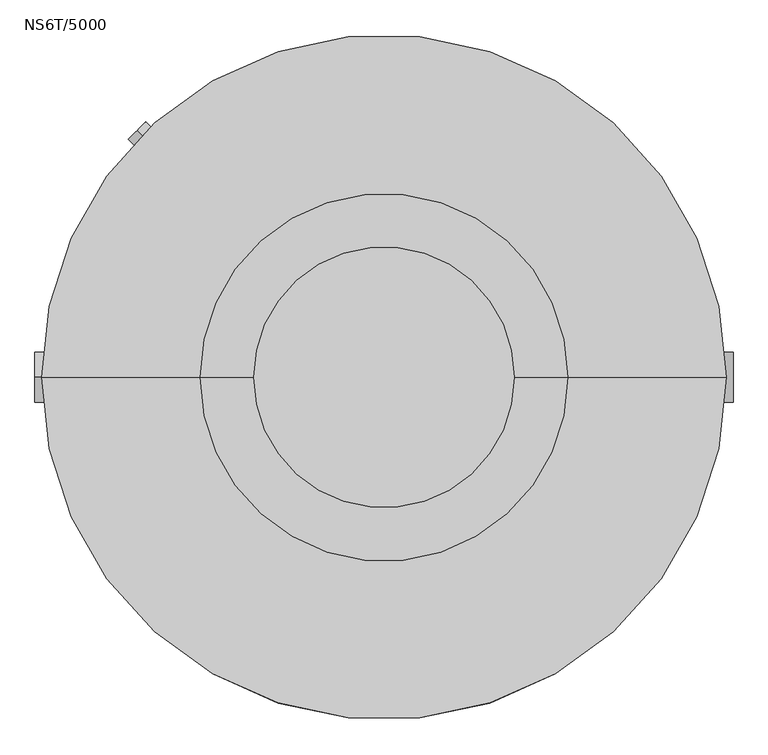
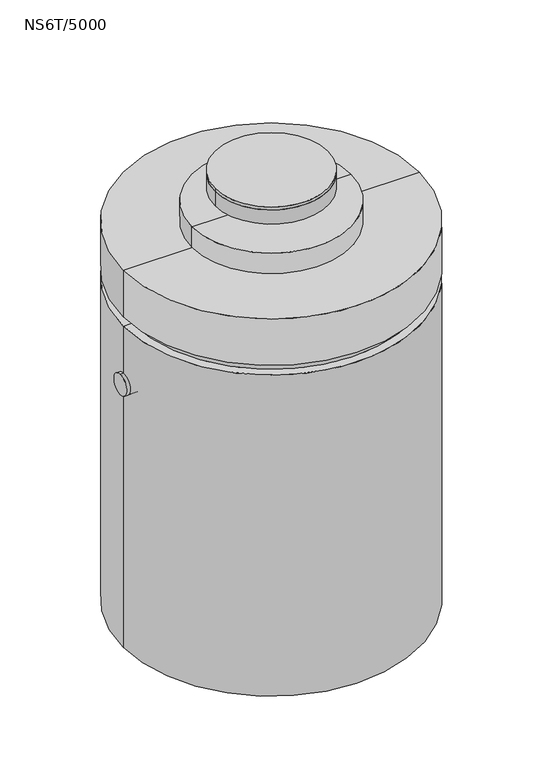
"""IFC4 building model written with IfcOpenShell, lengths in millimetres: proxy geometry, NS6T/5000."""

from ifc_helpers import new_model, si_unit, point, frame, frame_2d, origin, origin_2d, place, context, project, spatial, polyline, circle_curve, ellipse_curve, trimmed, segment, composite_curve, outline, extrude, source, transform, mapped, element, save
from ifc_brep_helpers import plane_surface, cylinder_surface, revolved_surface, advanced_brep


def ns6t_5000_64bb6e96(model_context):
    return source(origin(), model_context, "Body", "SolidModel", [
        extrude(outline(composite_curve([segment(trimmed(circle_curve(origin_2d(), 390.0), [point((-390.0, 0.0))], [point((390.0, 0.0))], False, "CARTESIAN"), True, "CONTINUOUS"), segment(trimmed(circle_curve(origin_2d(), 390.0), [point((390.0, 0.0))], [point((-390.0, 0.0))], False, "CARTESIAN"), True, "CONTINUOUS")], self_intersect=False)), frame((0.0, 0.0, -20.0), z_axis=(0.0, 0.0, 1.0), x_axis=(1.0, 0.0, 0.0)), (0.0, 0.0, 1.0), 20.0),
        extrude(outline(composite_curve([segment(trimmed(circle_curve(origin_2d(), 390.0), [point((-390.0, 0.0))], [point((390.0, 0.0))], False, "CARTESIAN"), True, "CONTINUOUS"), segment(trimmed(circle_curve(origin_2d(), 390.0), [point((390.0, 0.0))], [point((-390.0, 0.0))], False, "CARTESIAN"), True, "CONTINUOUS")], self_intersect=False)), frame((0.0, 0.0, -125.0), z_axis=(0.0, 0.0, 1.0), x_axis=(1.0, 0.0, 0.0)), (0.0, 0.0, 1.0), 105.0),
        advanced_brep(
        [(550.0, 0.0, -375.0), (-550.0, 0.0, -375.0), (-550.0, 0.0, -225.0869772), (550.0, 0.0, -225.0869772), (0.0, 0.0, -375.0), (0.0, 0.0, -225.0869772)],
        [
            (0, 1, circle_curve(frame((0.0, 0.0, -375.0), z_axis=(0.0, 0.0, 1.0), x_axis=(-1.0, 0.0, 0.0)), 550.0)),
            (1, 2),
            (2, 3, circle_curve(frame((0.0, 0.0, -225.0869772), z_axis=(0.0, 0.0, -1.0), x_axis=(-1.0, 0.0, 0.0)), 550.0)),
            (3, 0),
            (1, 0, circle_curve(frame((0.0, 0.0, -375.0), z_axis=(0.0, 0.0, 1.0), x_axis=(-1.0, 0.0, 0.0)), 550.0)),
            (3, 2, circle_curve(frame((0.0, 0.0, -225.0869772), z_axis=(0.0, 0.0, -1.0), x_axis=(-1.0, 0.0, 0.0)), 550.0)),
            (4, 1),
            (0, 4),
            (2, 5),
            (5, 3),
        ],
        [
            cylinder_surface(frame((0.0, 0.0, -235.0), z_axis=(0.0, 0.0, -1.0), x_axis=(-1.0, 0.0, 0.0)), 550.0),
            plane_surface(frame((0.0, 0.0, -375.0), z_axis=(0.0, 0.0, -1.0), x_axis=(-1.0, 0.0, 0.0))),
            plane_surface(frame((0.0, 0.0, -225.0869772), z_axis=(0.0, 0.0, 1.0), x_axis=(-1.0, 0.0, 0.0))),
        ],
        [
            (0, [[1, 2, 3, 4]]),
            (0, [[5, -4, 6, -2]]),
            (1, [[7, -1, 8]]),
            (1, [[-8, -5, -7]]),
            (2, [[-3, 9, 10]]),
            (2, [[-6, -10, -9]]),
        ],
    ),
        advanced_brep(
        [(1025.0, 0.0, -375.0), (-1025.0, 0.0, -375.0), (0.0, 0.0, -375.0), (1025.0, 0.0, -715.0), (-1025.0, 0.0, -715.0), (965.0, 0.0, -715.0), (-965.0, 0.0, -715.0), (965.0, 0.0, -635.0), (-965.0, 0.0, -635.0), (0.0, 0.0, -635.0)],
        [
            (0, 1, circle_curve(frame((0.0, 0.0, -375.0), z_axis=(0.0, 0.0, 1.0), x_axis=(-1.0, 0.0, 0.0)), 1025.0)),
            (1, 2),
            (2, 0),
            (1, 0, circle_curve(frame((0.0, 0.0, -375.0), z_axis=(0.0, 0.0, 1.0), x_axis=(-1.0, 0.0, 0.0)), 1025.0)),
            (3, 4, circle_curve(frame((0.0, 0.0, -715.0), z_axis=(0.0, 0.0, 1.0), x_axis=(-1.0, 0.0, 0.0)), 1025.0)),
            (4, 1),
            (0, 3),
            (4, 3, circle_curve(frame((0.0, 0.0, -715.0), z_axis=(0.0, 0.0, 1.0), x_axis=(-1.0, 0.0, 0.0)), 1025.0)),
            (5, 6, circle_curve(frame((0.0, 0.0, -715.0), z_axis=(0.0, 0.0, 1.0), x_axis=(-1.0, 0.0, 0.0)), 965.0)),
            (6, 4),
            (3, 5),
            (6, 5, circle_curve(frame((0.0, 0.0, -715.0), z_axis=(0.0, 0.0, 1.0), x_axis=(-1.0, 0.0, 0.0)), 965.0)),
            (7, 8, circle_curve(frame((0.0, 0.0, -635.0), z_axis=(0.0, 0.0, 1.0), x_axis=(-1.0, 0.0, 0.0)), 965.0)),
            (8, 6),
            (5, 7),
            (8, 7, circle_curve(frame((0.0, 0.0, -635.0), z_axis=(0.0, 0.0, 1.0), x_axis=(-1.0, 0.0, 0.0)), 965.0)),
            (9, 8),
            (7, 9),
        ],
        [
            plane_surface(frame((0.0, 0.0, -375.0), z_axis=(0.0, 0.0, 1.0), x_axis=(-1.0, 0.0, 0.0))),
            cylinder_surface(frame((0.0, 0.0, -360.0), z_axis=(0.0, 0.0, -1.0), x_axis=(-1.0, 0.0, 0.0)), 1025.0),
            plane_surface(frame((0.0, 0.0, -715.0), z_axis=(0.0, 0.0, -1.0), x_axis=(-1.0, 0.0, 0.0))),
            revolved_surface(polyline([(-965.0, 0.0, -715.0), (-965.0, 0.0, -635.0)]), (0.0, 0.0, -360.0), (0.0, 0.0, -1.0)),
            plane_surface(frame((0.0, 0.0, -635.0), z_axis=(0.0, 0.0, -1.0), x_axis=(-1.0, 0.0, 0.0))),
        ],
        [
            (0, [[1, 2, 3]]),
            (0, [[4, -3, -2]]),
            (1, [[5, 6, -1, 7]]),
            (1, [[8, -7, -4, -6]]),
            (2, [[9, 10, -5, 11]]),
            (2, [[12, -11, -8, -10]]),
            (3, [[13, 14, -9, 15]]),
            (3, [[16, -15, -12, -14]]),
            (4, [[17, -13, 18]]),
            (4, [[-18, -16, -17]]),
        ],
    ),
        extrude(outline(composite_curve([segment(trimmed(circle_curve(origin_2d(), 875.0), [point((-875.0, 0.0))], [point((330.9917809, 809.9811362))], False, "CARTESIAN"), True, "CONTINUOUS"), segment(polyline([(330.9917809, 809.9811362), (330.9917809, -97.3110528), (330.9917809, -809.9811362)]), True, "CONTINUOUS"), segment(trimmed(circle_curve(origin_2d(), 875.0), [point((330.9917809, -809.9811362))], [point((-875.0, 0.0))], False, "CARTESIAN"), True, "CONTINUOUS")], self_intersect=False), holes=[composite_curve([segment(trimmed(circle_curve(origin_2d(), 325.0), [point((306.8434606, 107.107846))], [point((-325.0, 0.0))], True, "CARTESIAN"), True, "CONTINUOUS"), segment(trimmed(circle_curve(origin_2d(), 325.0), [point((-325.0, 0.0))], [point((306.8434606, 107.107846))], True, "CARTESIAN"), True, "CONTINUOUS")], self_intersect=False)]), frame((0.0, 0.0, -1655.0), z_axis=(0.0, 0.0, 1.0), x_axis=(1.0, 0.0, 0.0)), (0.0, 0.0, 1.0), 530.0),
        extrude(outline(composite_curve([segment(trimmed(circle_curve(frame_2d((0.0, -37.5)), 37.5), [point((0.0, -75.0))], [point((0.0, 0.0))], False, "CARTESIAN"), True, "CONTINUOUS"), segment(trimmed(circle_curve(frame_2d((0.0, -37.5)), 37.5), [point((0.0, 0.0))], [point((0.0, -75.0))], False, "CARTESIAN"), True, "CONTINUOUS")], self_intersect=False)), frame((-583.3630945, 583.3630945, -890.4626011), z_axis=(-0.7071067811865481, 0.707106781186547, 0.0), x_axis=(-0.707106781186547, -0.7071067811865481, 0.0)), (0.0, 0.0, 1.0), 220.0),
        advanced_brep(
        [(0.0, 75.0, -1655.0), (0.0, -75.0, -1655.0), (0.0, 75.0, -1775.0), (0.0, -75.0, -1775.0), (755.0, 75.0, -1775.0), (755.0, -75.0, -1775.0), (755.0, 75.0, -1225.0), (755.0, -75.0, -1225.0), (1045.0, 75.0, -1225.0), (1045.0, -75.0, -1225.0)],
        [
            (0, 1, circle_curve(frame((0.0, 0.0, -1655.0), z_axis=(0.0, 0.0, 1.0), x_axis=(0.0, -1.0, 0.0)), 75.0)),
            (1, 0, circle_curve(frame((0.0, 0.0, -1655.0), z_axis=(0.0, 0.0, 1.0), x_axis=(0.0, -1.0, 0.0)), 75.0)),
            (0, 2),
            (2, 3, ellipse_curve(frame((0.0, 0.0, -1775.0), z_axis=(-0.7071067811865475, 0.0, 0.7071067811865475), x_axis=(0.7071067811865474, 0.0, 0.7071067811865476)), 106.0660172, 75.0)),
            (3, 1),
            (3, 2, ellipse_curve(frame((0.0, 0.0, -1775.0), z_axis=(-0.7071067811865475, 0.0, 0.7071067811865475), x_axis=(0.7071067811865474, 0.0, 0.7071067811865476)), 106.0660172, 75.0)),
            (2, 4),
            (4, 5, ellipse_curve(frame((755.0, 0.0, -1775.0), z_axis=(-0.7071067811865475, 0.0, -0.7071067811865475), x_axis=(-0.7071067811865476, 0.0, 0.7071067811865474)), 106.0660172, 75.0)),
            (5, 3),
            (5, 4, ellipse_curve(frame((755.0, 0.0, -1775.0), z_axis=(-0.7071067811865475, 0.0, -0.7071067811865475), x_axis=(-0.7071067811865476, 0.0, 0.7071067811865474)), 106.0660172, 75.0)),
            (4, 6),
            (6, 7, ellipse_curve(frame((755.0, 0.0, -1225.0), z_axis=(-0.7071067811865475, 0.0, -0.7071067811865475), x_axis=(0.7071067811865474, 0.0, -0.7071067811865476)), 106.0660172, 75.0)),
            (7, 5),
            (7, 6, ellipse_curve(frame((755.0, 0.0, -1225.0), z_axis=(-0.7071067811865475, 0.0, -0.7071067811865475), x_axis=(0.7071067811865474, 0.0, -0.7071067811865476)), 106.0660172, 75.0)),
            (8, 9, circle_curve(frame((1045.0, 0.0, -1225.0), z_axis=(1.0, 0.0, 0.0), x_axis=(0.0, -1.0, 0.0)), 75.0)),
            (9, 8, circle_curve(frame((1045.0, 0.0, -1225.0), z_axis=(1.0, 0.0, 0.0), x_axis=(0.0, -1.0, 0.0)), 75.0)),
            (6, 8),
            (9, 7),
        ],
        [
            plane_surface(frame((0.0, 0.0, -1655.0), z_axis=(0.0, 0.0, 1.0), x_axis=(0.0, -1.0, 0.0))),
            cylinder_surface(frame((0.0, 0.0, -1655.0), z_axis=(0.0, 0.0, 1.0), x_axis=(0.0, -1.0, 0.0)), 75.0),
            cylinder_surface(frame((0.0, 0.0, -1775.0), z_axis=(-1.0, 0.0, 0.0), x_axis=(0.0, -1.0, 0.0)), 75.0),
            cylinder_surface(frame((755.0, 0.0, -1775.0), z_axis=(0.0, 0.0, -1.0), x_axis=(0.0, -1.0, 0.0)), 75.0),
            plane_surface(frame((1045.0, 0.0, -1225.0), z_axis=(1.0, 0.0, 0.0), x_axis=(0.0, -1.0, 0.0))),
            cylinder_surface(frame((755.0, 0.0, -1225.0), z_axis=(-1.0, 0.0, 0.0), x_axis=(0.0, -1.0, 0.0)), 75.0),
        ],
        [
            (0, [[1, 2]]),
            (1, [[-1, 3, 4, 5]]),
            (1, [[-2, -5, 6, -3]]),
            (2, [[-4, 7, 8, 9]]),
            (2, [[-6, -9, 10, -7]]),
            (3, [[-8, 11, 12, 13]]),
            (3, [[-10, -13, 14, -11]]),
            (4, [[15, 16]]),
            (5, [[-12, 17, -16, 18]]),
            (5, [[-14, -18, -15, -17]]),
        ],
    ),
        extrude(outline(composite_curve([segment(trimmed(circle_curve(frame_2d((0.0, -1205.0)), 75.0), [point((0.0, -1280.0))], [point((0.0, -1130.0))], False, "CARTESIAN"), True, "CONTINUOUS"), segment(trimmed(circle_curve(frame_2d((0.0, -1205.0)), 75.0), [point((0.0, -1130.0))], [point((0.0, -1280.0))], False, "CARTESIAN"), True, "CONTINUOUS")], self_intersect=False)), frame((-1045.0, 0.0, 0.0), z_axis=(1.0, 0.0, 0.0), x_axis=(0.0, 1.0, 0.0)), (0.0, 0.0, 1.0), 200.0),
        advanced_brep(
        [(0.0, 0.0, -925.6945759), (185.0, 0.0, -925.6945759), (-185.0, 0.0, -925.6945759), (-185.0, 0.0, -1655.0), (185.0, 0.0, -1655.0), (0.0, 0.0, -1655.0)],
        [
            (0, 1),
            (1, 2, circle_curve(frame((0.0, 0.0, -925.6945759), z_axis=(0.0, 0.0, 1.0), x_axis=(1.0, 0.0, 0.0)), 185.0)),
            (2, 0),
            (2, 1, circle_curve(frame((0.0, 0.0, -925.6945759), z_axis=(0.0, 0.0, 1.0), x_axis=(1.0, 0.0, 0.0)), 185.0)),
            (3, 4, circle_curve(frame((0.0, 0.0, -1655.0), z_axis=(0.0, 0.0, -1.0), x_axis=(1.0, 0.0, 0.0)), 185.0)),
            (4, 5),
            (5, 3),
            (4, 3, circle_curve(frame((0.0, 0.0, -1655.0), z_axis=(0.0, 0.0, -1.0), x_axis=(1.0, 0.0, 0.0)), 185.0)),
            (1, 4),
            (3, 2),
        ],
        [
            plane_surface(frame((0.0, 0.0, -925.6945759), z_axis=(0.0, 0.0, 1.0), x_axis=(1.0, 0.0, 0.0))),
            plane_surface(frame((0.0, 0.0, -1655.0), z_axis=(0.0, 0.0, -1.0), x_axis=(1.0, 0.0, 0.0))),
            cylinder_surface(frame((0.0, 0.0, -945.0), z_axis=(0.0, 0.0, 1.0), x_axis=(1.0, 0.0, 0.0)), 185.0),
        ],
        [
            (0, [[1, 2, 3]]),
            (0, [[-3, 4, -1]]),
            (1, [[5, 6, 7]]),
            (1, [[8, -7, -6]]),
            (2, [[-2, 9, -5, 10]]),
            (2, [[-4, -10, -8, -9]]),
        ],
    ),
        advanced_brep(
        [(0.0, 0.0, -2935.0), (875.0, 0.0, -2935.0), (-875.0, 0.0, -2935.0), (-1025.0, 0.0, -3135.0), (1025.0, 0.0, -3135.0), (0.0, 0.0, -3135.0), (-1025.0, 0.0, -785.0), (1025.0, 0.0, -785.0), (875.0, 0.0, -705.0), (-875.0, 0.0, -705.0), (-965.0, 0.0, -785.0), (965.0, 0.0, -785.0), (-965.0, 0.0, -705.0), (965.0, 0.0, -705.0)],
        [
            (0, 1),
            (1, 2, circle_curve(frame((0.0, 0.0, -2935.0), z_axis=(0.0, 0.0, 1.0), x_axis=(1.0, 0.0, 0.0)), 875.0)),
            (2, 0),
            (2, 1, circle_curve(frame((0.0, 0.0, -2935.0), z_axis=(0.0, 0.0, 1.0), x_axis=(1.0, 0.0, 0.0)), 875.0)),
            (3, 4, circle_curve(frame((0.0, 0.0, -3135.0), z_axis=(0.0, 0.0, -1.0), x_axis=(1.0, 0.0, 0.0)), 1025.0)),
            (4, 5),
            (5, 3),
            (4, 3, circle_curve(frame((0.0, 0.0, -3135.0), z_axis=(0.0, 0.0, -1.0), x_axis=(1.0, 0.0, 0.0)), 1025.0)),
            (6, 7, circle_curve(frame((0.0, 0.0, -785.0), z_axis=(0.0, 0.0, -1.0), x_axis=(1.0, 0.0, 0.0)), 1025.0)),
            (7, 4),
            (3, 6),
            (7, 6, circle_curve(frame((0.0, 0.0, -785.0), z_axis=(0.0, 0.0, -1.0), x_axis=(1.0, 0.0, 0.0)), 1025.0)),
            (1, 8),
            (8, 9, circle_curve(frame((0.0, 0.0, -705.0), z_axis=(0.0, 0.0, 1.0), x_axis=(1.0, 0.0, 0.0)), 875.0)),
            (9, 2),
            (9, 8, circle_curve(frame((0.0, 0.0, -705.0), z_axis=(0.0, 0.0, 1.0), x_axis=(1.0, 0.0, 0.0)), 875.0)),
            (10, 11, circle_curve(frame((0.0, 0.0, -785.0), z_axis=(0.0, 0.0, -1.0), x_axis=(1.0, 0.0, 0.0)), 965.0)),
            (11, 7),
            (6, 10),
            (11, 10, circle_curve(frame((0.0, 0.0, -785.0), z_axis=(0.0, 0.0, -1.0), x_axis=(1.0, 0.0, 0.0)), 965.0)),
            (12, 13, circle_curve(frame((0.0, 0.0, -705.0), z_axis=(0.0, 0.0, -1.0), x_axis=(1.0, 0.0, 0.0)), 965.0)),
            (13, 11),
            (10, 12),
            (13, 12, circle_curve(frame((0.0, 0.0, -705.0), z_axis=(0.0, 0.0, -1.0), x_axis=(1.0, 0.0, 0.0)), 965.0)),
            (8, 13),
            (12, 9),
        ],
        [
            plane_surface(frame((0.0, 0.0, -2935.0), z_axis=(0.0, 0.0, 1.0), x_axis=(1.0, 0.0, 0.0))),
            plane_surface(frame((0.0, 0.0, -3135.0), z_axis=(0.0, 0.0, -1.0), x_axis=(1.0, 0.0, 0.0))),
            cylinder_surface(frame((0.0, 0.0, -705.0), z_axis=(0.0, 0.0, 1.0), x_axis=(1.0, 0.0, 0.0)), 1025.0),
            revolved_surface(polyline([(875.0, 0.0, -705.0), (875.0, 0.0, -2935.0)]), (0.0, 0.0, -705.0), (0.0, 0.0, 1.0)),
            plane_surface(frame((0.0, 0.0, -785.0), z_axis=(0.0, 0.0, 1.0), x_axis=(1.0, 0.0, 0.0))),
            cylinder_surface(frame((0.0, 0.0, -705.0), z_axis=(0.0, 0.0, 1.0), x_axis=(1.0, 0.0, 0.0)), 965.0),
            plane_surface(frame((0.0, 0.0, -705.0), z_axis=(0.0, 0.0, 1.0), x_axis=(1.0, 0.0, 0.0))),
        ],
        [
            (0, [[1, 2, 3]]),
            (0, [[-3, 4, -1]]),
            (1, [[5, 6, 7]]),
            (1, [[8, -7, -6]]),
            (2, [[9, 10, -5, 11]]),
            (2, [[12, -11, -8, -10]]),
            (3, [[-2, 13, 14, 15]]),
            (3, [[-4, -15, 16, -13]]),
            (4, [[17, 18, -9, 19]]),
            (4, [[20, -19, -12, -18]]),
            (5, [[21, 22, -17, 23]]),
            (5, [[24, -23, -20, -22]]),
            (6, [[-14, 25, -21, 26]]),
            (6, [[-16, -26, -24, -25]]),
        ],
    ),
    ])


if __name__ == "__main__":
    model = new_model("IFC4")
    model_context = context("Model", 3, world=origin())
    ifc_project = project(units=[si_unit("LENGTHUNIT", "METRE", prefix="MILLI")], contexts=[model_context])
    site = spatial("IfcSite", under=ifc_project)
    building = spatial("IfcBuilding", under=site)
    placement = place(None, origin())
    ns6t_5000_shape = ns6t_5000_64bb6e96(model_context)
    element("IfcBuildingElementProxy", 1, Name="NS6T/5000", ObjectType="NS6T/5000", at=placement, inside=building, context=model_context, shape_type="MappedRepresentation", body=[
        mapped(ns6t_5000_shape, transform((0.0, 0.0, 0.0), x_axis=(1.0, 0.0, 0.0), y_axis=(0.0, 1.0, 0.0), z_axis=(0.0, 0.0, 1.0))),
    ])
    save(model, "model.ifc")
